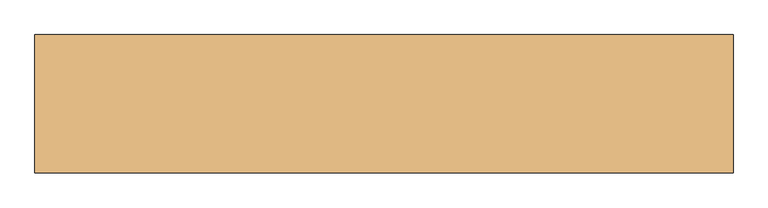
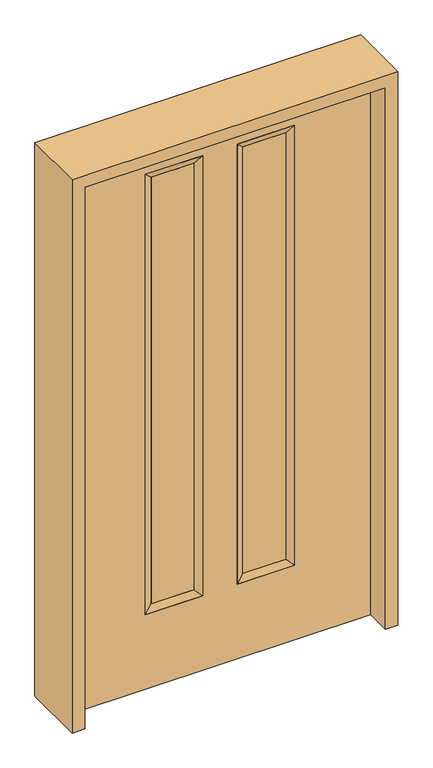
"""IFC4 building model written with IfcOpenShell, lengths in millimetres: door geometry."""

import ifcopenshell
import ifcopenshell.guid

model = None  # the IFC model being written
_history = None  # IfcOwnerHistory: only IFC2X3 demands one
_inside = {}  # id of a spatial element -> (the spatial element, [elements in it])
_under = {}  # id of a project, library or spatial element -> (it, [spatial elements below it])
_declared = {}  # id of a project -> (the project, [libraries it declares])
_typed = {}  # id of a type object -> (the type object, [elements of that type])
_made_of = {}  # id of a material, layer set ... -> (it, [elements and type objects made of it])


def new_model(schema):
    """Start an empty IFC model of exactly this schema.

    Asked for "IFC4X3", IfcOpenShell would pick the latest addendum, in which some entities
    have other attributes; the version numbers below select the first issue.
    IFC2X3 requires an IfcOwnerHistory on every rooted entity: one is made here for all.
    """
    global model, _history
    if schema == "IFC4X3":
        model = ifcopenshell.file(schema_version=(4, 3, 0, 0))
    else:
        model = ifcopenshell.file(schema=schema)
    _inside.clear()
    _under.clear()
    _declared.clear()
    _typed.clear()
    _made_of.clear()
    _history = None
    if model.schema == "IFC2X3":
        org = make("IfcOrganization", Name="unknown")
        user = make(
            "IfcPersonAndOrganization",
            ThePerson=make("IfcPerson", FamilyName="unknown"),
            TheOrganization=org,
        )
        app = make(
            "IfcApplication",
            ApplicationDeveloper=org,
            Version="unknown",
            ApplicationFullName="unknown",
            ApplicationIdentifier="unknown",
        )
        _history = make(
            "IfcOwnerHistory",
            OwningUser=user,
            OwningApplication=app,
            ChangeAction="ADDED",
            CreationDate=0,
        )
    return model


def make(cls, **values):
    """One entity of the class cls with the attributes given. An attribute that is None is left unset."""
    return model.create_entity(
        cls, **{name: value for name, value in values.items() if value is not None}
    )


def rooted(cls, **values):
    """An entity with a GlobalId (a new one), such as an element, a storey or a relation."""
    return make(cls, GlobalId=ifcopenshell.guid.new(), OwnerHistory=_history, **values)


def si_unit(unit_type, name, prefix=None):
    """IfcSIUnit, for example si_unit("LENGTHUNIT", "METRE", prefix="MILLI")."""
    return make("IfcSIUnit", UnitType=unit_type, Prefix=prefix, Name=name)


def assignment(units):
    """IfcUnitAssignment: the units of a project."""
    return None if units is None else make("IfcUnitAssignment", Units=units)


def point(xyz):
    """IfcCartesianPoint."""
    return None if xyz is None else make("IfcCartesianPoint", Coordinates=xyz)


def direction(xyz):
    """IfcDirection."""
    return None if xyz is None else make("IfcDirection", DirectionRatios=xyz)


def frame(location, z_axis=None, x_axis=None):
    """IfcAxis2Placement3D, a coordinate frame: its origin and axes. An axis left out is left unset."""
    return make(
        "IfcAxis2Placement3D",
        Location=point(location),
        Axis=direction(z_axis),
        RefDirection=direction(x_axis),
    )


def origin():
    """The frame at (0, 0, 0) with its axes left unset."""
    return frame((0.0, 0.0, 0.0))


def place(relative_to, where):
    """IfcLocalPlacement: puts the frame where relative to a parent placement (None: the world)."""
    return make(
        "IfcLocalPlacement", PlacementRelTo=relative_to, RelativePlacement=where
    )


def context(
    kind, dimensions, precision=None, world=None, true_north=None, identifier=None
):
    """IfcGeometricRepresentationContext, for example the 3D "Model" context."""
    return make(
        "IfcGeometricRepresentationContext",
        ContextIdentifier=identifier,
        ContextType=kind,
        CoordinateSpaceDimension=dimensions,
        Precision=precision,
        WorldCoordinateSystem=world,
        TrueNorth=true_north,
    )


def project(units=None, contexts=None):
    """IfcProject with its units and contexts."""
    return rooted(
        "IfcProject",
        Name="project",
        RepresentationContexts=contexts,
        UnitsInContext=assignment(units),
    )


def spatial(cls, under=None, at=None, **own):
    """A site, building, storey or space (cls), placed at a placement, below another one or the project."""
    s = rooted(cls, ObjectPlacement=at, **own)
    if under is not None:
        _under.setdefault(under.id(), (under, []))[1].append(s)
    return s


def polyline(points):
    """IfcPolyline through the points."""
    return make("IfcPolyline", Points=[point(p) for p in points])


def outline(outer, holes=None, kind="AREA"):
    """IfcArbitraryClosedProfileDef: a profile drawn as a closed curve; with holes, ...WithVoids."""
    if holes is None:
        return make("IfcArbitraryClosedProfileDef", ProfileType=kind, OuterCurve=outer)
    return make(
        "IfcArbitraryProfileDefWithVoids",
        ProfileType=kind,
        OuterCurve=outer,
        InnerCurves=holes,
    )


def extrude(swept, where, along, depth):
    """IfcExtrudedAreaSolid: the profile swept, set in the frame where, extruded along a direction by depth."""
    return make(
        "IfcExtrudedAreaSolid",
        SweptArea=swept,
        Position=where,
        ExtrudedDirection=direction(along),
        Depth=depth,
    )


def faces_of(points, faces, orient=None, outer=None):
    """IfcFace entities. A face is a list of loops; a loop is a list of indices into points, from 0.

    orient and outer hold one flag for each loop. By default every Orientation is true, the
    first loop of a face is its IfcFaceOuterBound and the others are IfcFaceBound.
    """
    made = []
    for i, loops in enumerate(faces):
        bounds = []
        for j, loop in enumerate(loops):
            is_outer = j == 0 if outer is None else outer[i][j]
            bounds.append(
                make(
                    "IfcFaceOuterBound" if is_outer else "IfcFaceBound",
                    Bound=make("IfcPolyLoop", Polygon=[points[k] for k in loop]),
                    Orientation=True if orient is None else orient[i][j],
                )
            )
        made.append(make("IfcFace", Bounds=bounds))
    return made


def faceted_brep(points, faces, orient=None, outer=None, voids=None):
    """IfcFacetedBrep: a solid bounded by flat faces; with voids (closed shells), ...WithVoids."""
    shared = [point(p) for p in points]
    hull = make("IfcClosedShell", CfsFaces=faces_of(shared, faces, orient, outer))
    if voids is None:
        return make("IfcFacetedBrep", Outer=hull)
    return make(
        "IfcFacetedBrepWithVoids",
        Outer=hull,
        Voids=[
            make(cls, CfsFaces=faces_of(shared, fs, o, b)) for cls, fs, o, b in voids
        ],
    )


def shape(context_of_items, identifier, shape_type, items):
    """IfcShapeRepresentation: the items that make up one representation, for example the "Body"."""
    return make(
        "IfcShapeRepresentation",
        ContextOfItems=context_of_items,
        RepresentationIdentifier=identifier,
        RepresentationType=shape_type,
        Items=items,
    )


def source(mapping_origin, context_of_items, identifier, shape_type, items):
    """IfcRepresentationMap: a shape defined once, which mapped items show again and again."""
    return make(
        "IfcRepresentationMap",
        MappingOrigin=mapping_origin,
        MappedRepresentation=shape(context_of_items, identifier, shape_type, items),
    )


def transform(
    local_origin,
    x_axis=None,
    y_axis=None,
    z_axis=None,
    scale=None,
    scale2=None,
    scale3=None,
    uniform=True,
):
    """IfcCartesianTransformationOperator3D, or its non-uniform kind. x_axis, y_axis, z_axis: its Axis1, 2, 3."""
    if uniform:
        return make(
            "IfcCartesianTransformationOperator3D",
            Axis1=direction(x_axis),
            Axis2=direction(y_axis),
            LocalOrigin=point(local_origin),
            Scale=scale,
            Axis3=direction(z_axis),
        )
    return make(
        "IfcCartesianTransformationOperator3DnonUniform",
        Axis1=direction(x_axis),
        Axis2=direction(y_axis),
        LocalOrigin=point(local_origin),
        Scale=scale,
        Axis3=direction(z_axis),
        Scale2=scale2,
        Scale3=scale3,
    )


def mapped(mapping_source, mapping_target):
    """IfcMappedItem: shows the shape of a source again, moved by a transform."""
    return make(
        "IfcMappedItem", MappingSource=mapping_source, MappingTarget=mapping_target
    )


def made_of(thing, what):
    """Note that an element or type object is made of a material, layer set ...; save() writes the relation."""
    if what is not None:
        _made_of.setdefault(what.id(), (what, []))[1].append(thing)
    return thing


def element(
    cls,
    number,
    at=None,
    inside=None,
    cuts=None,
    type_object=None,
    material=None,
    context=None,
    identifier="Body",
    shape_type=None,
    held_by="IfcProductDefinitionShape",
    body=None,
    shapes=None,
    **own,
):
    """One element of the class cls, such as IfcWall. Its Tag is "e" and its number.

    at: its placement. inside: the storey or other place that contains it. cuts: it is an
    opening in that element (IfcRelVoidsElement). A single representation is given by context,
    identifier, shape_type and body (its items); several are given by shapes. held_by: the class
    of the entity that holds the representations. save() writes the other relations.
    """
    e = rooted(cls, Tag="e%d" % number, ObjectPlacement=at, **own)
    if body is not None:
        shapes = [shape(context, identifier, shape_type, body)]
    if shapes is not None:
        e.Representation = make(held_by, Representations=shapes)
    if inside is not None:
        _inside.setdefault(inside.id(), (inside, []))[1].append(e)
    if cuts is not None:
        rooted(
            "IfcRelVoidsElement", RelatingBuildingElement=cuts, RelatedOpeningElement=e
        )
    if type_object is not None:
        _typed.setdefault(type_object.id(), (type_object, []))[1].append(e)
    return made_of(e, material)


def aggregate(whole, parts):
    """IfcRelAggregates: a whole, such as a stair, and the parts it consists of."""
    return rooted("IfcRelAggregates", RelatingObject=whole, RelatedObjects=parts)


def save(model, path):
    """Write the relations noted so far, then the file.

    IfcRelAggregates (storeys below a building ...), IfcRelContainedInSpatialStructure (elements
    in a storey), IfcRelDefinesByType, IfcRelAssociatesMaterial and IfcRelDeclares: one each for
    every whole, place, type object, material and project.
    """
    for whole, parts in _under.values():
        aggregate(whole, parts)
    for where, things in _inside.values():
        rooted(
            "IfcRelContainedInSpatialStructure",
            RelatedElements=things,
            RelatingStructure=where,
        )
    for kind, things in _typed.values():
        rooted("IfcRelDefinesByType", RelatedObjects=things, RelatingType=kind)
    for what, things in _made_of.values():
        rooted("IfcRelAssociatesMaterial", RelatedObjects=things, RelatingMaterial=what)
    for by, libraries in _declared.values():
        rooted("IfcRelDeclares", RelatingContext=by, RelatedDefinitions=libraries)
    model.write(path)


def door_ad38f96b(model_context):
    return source(origin(), model_context, "Body", "SolidModel", [
        extrude(outline(polyline([(-86.614, -12.7039749), (-239.014, -12.7039749), (-239.014, 14.2875), (-86.614, 14.2875), (-86.614, -12.7039749)])), frame((0.0, 0.0, 304.8), z_axis=(0.0, 0.0, 1.0), x_axis=(1.0, 0.0, 0.0)), (0.0, 0.0, 1.0), 1600.2),
        extrude(outline(polyline([(239.014, -12.7039749), (86.614, -12.7039749), (86.614, 14.2875), (239.014, 14.2875), (239.014, -12.7039749)])), frame((0.0, 0.0, 304.8), z_axis=(0.0, 0.0, 1.0), x_axis=(1.0, 0.0, 0.0)), (0.0, 0.0, 1.0), 1600.2),
        faceted_brep([(264.414, 22.225, 1930.4), (239.014, 14.2875, 1905.0), (86.614, 14.2875, 1905.0), (61.214, 22.225, 1930.4), (239.014, -12.7039749, 1905.0), (86.614, -12.7039749, 1905.0), (264.414, -22.225, 1930.4), (61.214, -22.225, 1930.4), (86.614, 14.2875, 304.8), (61.214, 22.225, 279.4), (86.614, -12.7039749, 304.8), (61.214, -22.225, 279.4), (239.014, 14.2875, 304.8), (264.414, 22.225, 279.4), (239.014, -12.7039749, 304.8), (264.414, -22.225, 279.4)], [[[0, 1, 2, 3]], [[1, 4, 5, 2]], [[4, 6, 7, 5]], [[6, 0, 3, 7]], [[3, 2, 8, 9]], [[2, 5, 10, 8]], [[5, 7, 11, 10]], [[7, 3, 9, 11]], [[9, 8, 12, 13]], [[8, 10, 14, 12]], [[10, 11, 15, 14]], [[11, 9, 13, 15]], [[13, 12, 1, 0]], [[12, 14, 4, 1]], [[14, 15, 6, 4]], [[15, 13, 0, 6]]]),
        faceted_brep([(-239.014, 14.2875, 1905.0), (-264.414, 22.225, 1930.4), (-61.214, 22.225, 1930.4), (-86.614, 14.2875, 1905.0), (-239.014, -12.7039749, 1905.0), (-86.614, -12.7039749, 1905.0), (-264.414, -22.225, 1930.4), (-61.214, -22.225, 1930.4), (-61.214, 22.225, 279.4), (-86.614, 14.2875, 304.8), (-86.614, -12.7039749, 304.8), (-61.214, -22.225, 279.4), (-264.414, 22.225, 279.4), (-239.014, 14.2875, 304.8), (-239.014, -12.7039749, 304.8), (-264.414, -22.225, 279.4)], [[[0, 1, 2, 3]], [[4, 0, 3, 5]], [[6, 4, 5, 7]], [[1, 6, 7, 2]], [[3, 2, 8, 9]], [[5, 3, 9, 10]], [[7, 5, 10, 11]], [[2, 7, 11, 8]], [[9, 8, 12, 13]], [[10, 9, 13, 14]], [[11, 10, 14, 15]], [[8, 11, 15, 12]], [[13, 12, 1, 0]], [[14, 13, 0, 4]], [[15, 14, 4, 6]], [[12, 15, 6, 1]]]),
        extrude(outline(polyline([(0.0, -533.4), (0.0, 533.4), (2032.0, 533.4), (2032.0, -533.4), (0.0, -533.4)]), holes=[polyline([(279.4, -264.414), (1930.4, -264.414), (1930.4, -61.214), (279.4, -61.214), (279.4, -264.414)]), polyline([(279.4, 61.214), (1930.4, 61.214), (1930.4, 264.414), (279.4, 264.414), (279.4, 61.214)])]), frame((0.0, -22.225, 0.0), z_axis=(0.0, 1.0, 0.0), x_axis=(0.0, 0.0, 1.0)), (0.0, 0.0, 1.0), 44.45),
        extrude(outline(polyline([(0.0, -577.85), (0.0, -533.4), (2032.0, -533.4), (2032.0, 533.4), (0.0, 533.4), (0.0, 577.85), (2076.45, 577.85), (2076.45, -577.85), (0.0, -577.85)])), frame((0.0, -114.3, 0.0), z_axis=(0.0, 1.0, 0.0), x_axis=(0.0, 0.0, 1.0)), (0.0, 0.0, 1.0), 228.6),
    ])


if __name__ == "__main__":
    model = new_model("IFC4")
    model_context = context("Model", 3, world=origin())
    ifc_project = project(units=[si_unit("LENGTHUNIT", "METRE", prefix="MILLI")], contexts=[model_context])
    site = spatial("IfcSite", under=ifc_project)
    building = spatial("IfcBuilding", under=site)
    placement = place(None, origin())
    door_shape = door_ad38f96b(model_context)
    element("IfcDoor", 1, at=placement, inside=building, context=model_context, shape_type="MappedRepresentation", body=[
        mapped(door_shape, transform((0.0, 0.0, 0.0), x_axis=(1.0, 0.0, 0.0), y_axis=(0.0, 1.0, 0.0), z_axis=(0.0, 0.0, 1.0))),
    ])
    save(model, "model.ifc")
